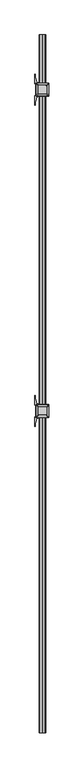
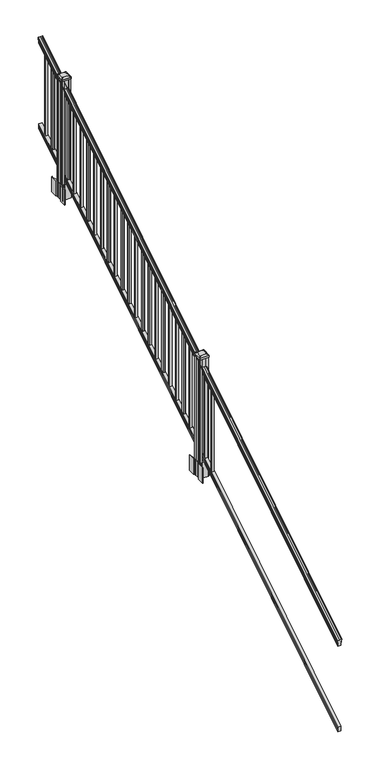
"""IFC4 building model written with IfcOpenShell, lengths in millimetres: railing geometry."""

from ifc_helpers import new_model, si_unit, point, frame, frame_2d, origin, place, context, project, spatial, polyline, circle_curve, ellipse_curve, trimmed, segment, composite_curve, outline, extrude, faceted_brep, source, transform, mapped, element, save
from ifc_brep_helpers import plane_surface, cylinder_surface, revolved_surface, extruded_surface, advanced_brep


def railing_a229b313(model_context):
    return source(origin(), model_context, "Body", "SolidModel", [
        advanced_brep(
        [(9890.1130321, -7669.8194681, 1133.2070492), (9890.1130321, -7669.8194681, 1135.4335658), (9891.2432184, -7669.8194681, 1137.2758543), (9891.2432184, -7669.8194681, 1145.7876358), (9890.593962, -7669.8194681, 1148.6572588), (9893.093962, -7669.8194681, 1153.7635509), (9894.5033045, -7669.8194681, 1155.7442021), (9894.9052035, -7669.8194681, 1157.0469579), (9894.9052034, -7669.8194681, 1158.6274846), (9893.3517561, -7669.8194681, 1160.4593836), (9872.6802034, -7669.8194681, 1160.4593836), (9852.0086506, -7669.8194681, 1160.4593836), (9850.4552034, -7669.8194681, 1158.6274846), (9850.4552034, -7669.8194681, 1157.0469579), (9850.8571023, -7669.8194681, 1155.7442021), (9852.2664447, -7669.8194681, 1153.7635509), (9854.7664447, -7669.8194681, 1148.6572588), (9854.1171883, -7669.8194681, 1145.7876358), (9854.1171883, -7669.8194681, 1137.2758543), (9855.2473746, -7669.8194681, 1135.4335658), (9855.2473746, -7669.8194681, 1133.2070492), (9857.8212034, -7669.8194681, 1133.2070492), (9857.8212034, -7669.8194681, 1120.825537), (9856.8052034, -7669.8194681, 1119.6274214), (9856.8052034, -7669.8194681, 1104.9), (9888.5552034, -7669.8194681, 1104.9), (9888.5552034, -7669.8194681, 1119.441318), (9887.5392034, -7669.8194681, 1120.6394336), (9887.5392034, -7669.8194681, 1133.2070492), (9890.1130321, -2793.0194681, 4181.2070492), (9887.5392034, -2793.0194681, 4181.2070492), (9887.5392034, -2793.0194681, 4168.6394336), (9888.5552034, -2793.0194681, 4167.441318), (9888.5552034, -2793.0194681, 4152.9), (9856.8052034, -2793.0194681, 4152.9), (9856.8052034, -2793.0194681, 4167.6274214), (9857.8212034, -2793.0194681, 4168.825537), (9857.8212034, -2793.0194681, 4181.2070492), (9855.2473746, -2793.0194681, 4181.2070492), (9855.2473746, -2793.0194681, 4183.4335658), (9854.1171883, -2793.0194681, 4185.2758543), (9854.1171883, -2793.0194681, 4193.7876358), (9854.7664447, -2793.0194681, 4196.6572588), (9852.2664447, -2793.0194681, 4201.7635509), (9850.8571023, -2793.0194681, 4203.7442021), (9850.4552033, -2793.0194681, 4205.0469579), (9850.4552034, -2793.0194681, 4206.6274846), (9852.0086506, -2793.0194681, 4208.4593836), (9872.6802034, -2793.0194681, 4208.4593836), (9893.3517561, -2793.0194681, 4208.4593836), (9894.9052034, -2793.0194681, 4206.6274846), (9894.9052034, -2793.0194681, 4205.0469579), (9894.5033045, -2793.0194681, 4203.7442021), (9893.093962, -2793.0194681, 4201.7635509), (9890.593962, -2793.0194681, 4196.6572588), (9891.2432184, -2793.0194681, 4193.7876358), (9891.2432184, -2793.0194681, 4185.2758543), (9890.1130321, -2793.0194681, 4183.4335658)],
        [
            (0, 1),
            (1, 2, ellipse_curve(frame((9883.7982788, -7669.8194681, 1142.2239405), z_axis=(0.0, -1.0, 0.0), x_axis=(0.0, 0.0, -1.0)), 10.0777926, 8.545951)),
            (2, 3, ellipse_curve(frame((9884.2353418, -7669.8194681, 1141.5317451), z_axis=(0.0, -1.0, 0.0), x_axis=(0.0, 0.0, -1.0)), 9.2955186, 7.882584)),
            (3, 4, ellipse_curve(frame((9894.7486659, -7669.8194681, 1148.4275077), z_axis=(0.0, 1.0, 0.0), x_axis=(0.0, 0.0, 1.0)), 4.9048088, 4.1592695)),
            (4, 5, ellipse_curve(frame((9896.0359725, -7669.8194681, 1148.3563208), z_axis=(0.0, 1.0, 0.0), x_axis=(0.0, 0.0, 1.0)), 6.4245301, 5.4479907)),
            (5, 6, ellipse_curve(frame((9894.802814, -7669.8194681, 1153.7602333), z_axis=(0.0, 1.0, 0.0), x_axis=(0.0, 0.0, 1.0)), 2.0151625, 1.7088543)),
            (6, 7, ellipse_curve(frame((9893.1859139, -7669.8194681, 1157.0469579), z_axis=(0.0, -1.0, 0.0), x_axis=(0.0, 0.0, -1.0)), 2.0274681, 1.7192895)),
            (7, 8),
            (8, 9, ellipse_curve(frame((9893.3517561, -7669.8194681, 1158.6274846), z_axis=(0.0, -1.0, 0.0), x_axis=(0.0, 0.0, -1.0)), 1.831899, 1.5534472)),
            (9, 10),
            (10, 11),
            (11, 12, ellipse_curve(frame((9852.0086506, -7669.8194681, 1158.6274846), z_axis=(0.0, -1.0, 0.0), x_axis=(0.0, 0.0, -1.0)), 1.831899, 1.5534472)),
            (12, 13),
            (13, 14, ellipse_curve(frame((9852.1744928, -7669.8194681, 1157.0469579), z_axis=(0.0, -1.0, 0.0), x_axis=(0.0, 0.0, -1.0)), 2.0274681, 1.7192895)),
            (14, 15, ellipse_curve(frame((9850.5575927, -7669.8194681, 1153.7602333), z_axis=(0.0, 1.0, 0.0), x_axis=(0.0, 0.0, 1.0)), 2.0151625, 1.7088543)),
            (15, 16, ellipse_curve(frame((9849.3244343, -7669.8194681, 1148.3563208), z_axis=(0.0, 1.0, 0.0), x_axis=(0.0, 0.0, 1.0)), 6.4245301, 5.4479907)),
            (16, 17, ellipse_curve(frame((9850.6117408, -7669.8194681, 1148.4275077), z_axis=(0.0, 1.0, 0.0), x_axis=(0.0, 0.0, 1.0)), 4.9048088, 4.1592695)),
            (17, 18, ellipse_curve(frame((9861.125065, -7669.8194681, 1141.5317451), z_axis=(0.0, -1.0, 0.0), x_axis=(0.0, 0.0, -1.0)), 9.2955186, 7.882584)),
            (18, 19, ellipse_curve(frame((9861.5621279, -7669.8194681, 1142.2239405), z_axis=(0.0, -1.0, 0.0), x_axis=(0.0, 0.0, -1.0)), 10.0777926, 8.545951)),
            (19, 20),
            (20, 21, ellipse_curve(frame((9856.534289, -7669.8194681, 1133.2070492), z_axis=(0.0, -1.0, 0.0), x_axis=(0.0, 0.0, -1.0)), 1.5175907, 1.2869144)),
            (21, 22),
            (22, 23),
            (23, 24),
            (24, 25),
            (25, 26),
            (26, 27),
            (27, 28),
            (28, 0, ellipse_curve(frame((9888.8261177, -7669.8194681, 1133.2070492), z_axis=(0.0, -1.0, 0.0), x_axis=(0.0, 0.0, -1.0)), 1.5175907, 1.2869144)),
            (29, 30, ellipse_curve(frame((9888.8261177, -2793.0194681, 4181.2070492), z_axis=(0.0, 1.0, 0.0), x_axis=(0.0, 0.0, -1.0)), 1.5175907, 1.2869144)),
            (30, 31),
            (31, 32),
            (32, 33),
            (33, 34),
            (34, 35),
            (35, 36),
            (36, 37),
            (37, 38, ellipse_curve(frame((9856.534289, -2793.0194681, 4181.2070492), z_axis=(0.0, 1.0, 0.0), x_axis=(0.0, 0.0, -1.0)), 1.5175907, 1.2869144)),
            (38, 39),
            (39, 40, ellipse_curve(frame((9861.5621279, -2793.0194681, 4190.2239405), z_axis=(0.0, 1.0, 0.0), x_axis=(0.0, 0.0, -1.0)), 10.0777926, 8.545951)),
            (40, 41, ellipse_curve(frame((9861.125065, -2793.0194681, 4189.5317451), z_axis=(0.0, 1.0, 0.0), x_axis=(0.0, 0.0, -1.0)), 9.2955186, 7.882584)),
            (41, 42, ellipse_curve(frame((9850.6117408, -2793.0194681, 4196.4275077), z_axis=(0.0, -1.0, 0.0), x_axis=(0.0, 0.0, 1.0)), 4.9048088, 4.1592695)),
            (42, 43, ellipse_curve(frame((9849.3244343, -2793.0194681, 4196.3563208), z_axis=(0.0, -1.0, 0.0), x_axis=(0.0, 0.0, 1.0)), 6.4245301, 5.4479907)),
            (43, 44, ellipse_curve(frame((9850.5575927, -2793.0194681, 4201.7602333), z_axis=(0.0, -1.0, 0.0), x_axis=(0.0, 0.0, 1.0)), 2.0151625, 1.7088543)),
            (44, 45, ellipse_curve(frame((9852.1744928, -2793.0194681, 4205.0469579), z_axis=(0.0, 1.0, 0.0), x_axis=(0.0, 0.0, -1.0)), 2.0274681, 1.7192895)),
            (45, 46),
            (46, 47, ellipse_curve(frame((9852.0086506, -2793.0194681, 4206.6274846), z_axis=(0.0, 1.0, 0.0), x_axis=(0.0, 0.0, -1.0)), 1.831899, 1.5534472)),
            (47, 48),
            (48, 49),
            (49, 50, ellipse_curve(frame((9893.3517561, -2793.0194681, 4206.6274846), z_axis=(0.0, 1.0, 0.0), x_axis=(0.0, 0.0, -1.0)), 1.831899, 1.5534472)),
            (50, 51),
            (51, 52, ellipse_curve(frame((9893.1859139, -2793.0194681, 4205.0469579), z_axis=(0.0, 1.0, 0.0), x_axis=(0.0, 0.0, -1.0)), 2.0274681, 1.7192895)),
            (52, 53, ellipse_curve(frame((9894.802814, -2793.0194681, 4201.7602333), z_axis=(0.0, -1.0, 0.0), x_axis=(0.0, 0.0, 1.0)), 2.0151625, 1.7088543)),
            (53, 54, ellipse_curve(frame((9896.0359725, -2793.0194681, 4196.3563208), z_axis=(0.0, -1.0, 0.0), x_axis=(0.0, 0.0, 1.0)), 6.4245301, 5.4479907)),
            (54, 55, ellipse_curve(frame((9894.7486659, -2793.0194681, 4196.4275077), z_axis=(0.0, -1.0, 0.0), x_axis=(0.0, 0.0, 1.0)), 4.9048088, 4.1592695)),
            (55, 56, ellipse_curve(frame((9884.2353418, -2793.0194681, 4189.5317451), z_axis=(0.0, 1.0, 0.0), x_axis=(0.0, 0.0, -1.0)), 9.2955186, 7.882584)),
            (56, 57, ellipse_curve(frame((9883.7982788, -2793.0194681, 4190.2239405), z_axis=(0.0, 1.0, 0.0), x_axis=(0.0, 0.0, -1.0)), 10.0777926, 8.545951)),
            (57, 29),
            (28, 30),
            (29, 0),
            (27, 31),
            (26, 32),
            (25, 33),
            (24, 34),
            (23, 35),
            (22, 36),
            (21, 37),
            (20, 38),
            (19, 39),
            (18, 40),
            (17, 41),
            (16, 42),
            (15, 43),
            (14, 44),
            (13, 45),
            (12, 46),
            (11, 47),
            (10, 48),
            (9, 49),
            (8, 50),
            (7, 51),
            (6, 52),
            (5, 53),
            (4, 54),
            (3, 55),
            (2, 56),
            (1, 57),
        ],
        [
            plane_surface(frame((9872.6802034, -7669.8194681, 1104.9), z_axis=(0.0, -1.0, 0.0), x_axis=(0.0, 0.0, 1.0))),
            plane_surface(frame((9872.6802034, -2793.0194681, 4152.9), z_axis=(0.0, 1.0, 0.0), x_axis=(0.0, 0.0, 1.0))),
            cylinder_surface(frame((9888.8261177, -7682.5417374, 1125.2556309), z_axis=(0.0, -0.8479983040051252, -0.5299989400031204), x_axis=(-1.0, 0.0, 0.0)), 1.2869144),
            plane_surface(frame((9887.5392034, -7669.8194681, 1120.6394336), z_axis=(1.0, 0.0, 0.0), x_axis=(0.0, 0.8479983040051252, 0.5299989400031204))),
            plane_surface(frame((9888.5552034, -7669.8194681, 1119.441318), z_axis=(0.7071067811865391, -0.3747658444978939, 0.5996253511967223), x_axis=(0.0, 0.8479983040051252, 0.5299989400031205))),
            plane_surface(frame((9888.5552034, -7669.8194681, 1104.9), z_axis=(1.0, 0.0, 0.0), x_axis=(0.0, 0.8479983040051252, 0.5299989400031204))),
            plane_surface(frame((9856.8052034, -7669.8194681, 1104.9), z_axis=(0.0, 0.5299989400031204, -0.8479983040051252), x_axis=(0.0, 0.8479983040051252, 0.5299989400031204))),
            plane_surface(frame((9856.8052034, -7669.8194681, 1119.6274214), z_axis=(-1.0, 0.0, 0.0), x_axis=(0.0, 0.8479983040051252, 0.5299989400031204))),
            plane_surface(frame((9857.8212034, -7669.8194681, 1120.825537), z_axis=(-0.7071067811865437, -0.37476584449789, 0.5996253511967192), x_axis=(0.0, 0.8479983040051252, 0.5299989400031204))),
            plane_surface(frame((9857.8212034, -7669.8194681, 1133.2070492), z_axis=(-1.0, 0.0, 0.0), x_axis=(0.0, 0.8479983040051252, 0.5299989400031204))),
            cylinder_surface(frame((9856.534289, -7682.5417374, 1125.2556309), z_axis=(0.0, -0.8479983040051252, -0.5299989400031204), x_axis=(1.0, 0.0, 0.0)), 1.2869144),
            plane_surface(frame((9855.2473746, -7669.8194681, 1135.4335658), z_axis=(-1.0, 0.0, 0.0), x_axis=(0.0, 0.8479983040051252, 0.5299989400031204))),
            cylinder_surface(frame((9861.5621279, -7686.5942728, 1131.7396876), z_axis=(0.0, -0.8479983040051252, -0.5299989400031204), x_axis=(1.0, 0.0, 0.0)), 8.545951),
            cylinder_surface(frame((9861.125065, -7686.2831737, 1131.241929), z_axis=(0.0, -0.8479983040051252, -0.5299989400031204), x_axis=(1.0, 0.0, 0.0)), 7.882584),
            revolved_surface(polyline([(9854.771010299999, -2790.8150596503474, 4197.805262980553), (9854.771010299999, -7672.023876549438, 1147.0497524190998)]), (9850.6117408, -7689.3823929, 1136.2006797), (0.0, 0.8479983040051252, 0.5299989400031204)),
            revolved_surface(polyline([(9854.772425000001, -2790.132038835741, 4198.160964077184), (9854.772425000001, -7672.7068973528085, 1146.5516775044932)]), (9849.3244343, -7689.3503988, 1136.1494891), (0.0, 0.8479983040051252, 0.5299989400031204)),
            revolved_surface(polyline([(9852.266447000002, -2792.113777099785, 4202.326290199656), (9852.266447000002, -7670.725159122471, 1153.1941764359535)]), (9850.5575927, -7691.7791235, 1140.0354487), (0.0, 0.8479983040051252, 0.5299989400031204)),
            cylinder_surface(frame((9852.1744928, -7693.2563031, 1142.398936), z_axis=(0.0, -0.8479983040051252, -0.5299989400031204), x_axis=(1.0, 0.0, 0.0)), 1.7192895),
            plane_surface(frame((9850.4552034, -7669.8194681, 1158.6274846), z_axis=(-1.0, 0.0, 0.0), x_axis=(0.0, 0.8479983040051252, 0.5299989400031204))),
            cylinder_surface(frame((9852.0086506, -7693.9666522, 1143.5354945), z_axis=(0.0, -0.8479983040051252, -0.5299989400031204), x_axis=(1.0, 0.0, 0.0)), 1.5534472),
            plane_surface(frame((9872.6802034, -7669.8194681, 1160.4593836), z_axis=(0.0, -0.5299989400031204, 0.8479983040051252), x_axis=(0.0, 0.8479983040051252, 0.5299989400031204))),
            plane_surface(frame((9893.3517561, -7669.8194681, 1160.4593836), z_axis=(0.0, -0.5299989400031204, 0.8479983040051252), x_axis=(0.0, 0.8479983040051252, 0.5299989400031204))),
            cylinder_surface(frame((9893.3517561, -7693.9666522, 1143.5354945), z_axis=(0.0, -0.8479983040051252, -0.5299989400031204), x_axis=(-1.0, 0.0, 0.0)), 1.5534472),
            plane_surface(frame((9894.9052034, -7669.8194681, 1157.0469579), z_axis=(1.0, 0.0, 0.0), x_axis=(0.0, 0.8479983040051252, 0.5299989400031204))),
            cylinder_surface(frame((9893.1859139, -7693.2563031, 1142.398936), z_axis=(0.0, -0.8479983040051252, -0.5299989400031204), x_axis=(-1.0, 0.0, 0.0)), 1.7192895),
            revolved_surface(polyline([(9893.0939597, -2792.113777099785, 4202.326290199656), (9893.0939597, -7670.725159122471, 1153.1941764359535)]), (9894.802814, -7691.7791235, 1140.0354487), (0.0, 0.8479983040051252, 0.5299989400031204)),
            revolved_surface(polyline([(9890.5879818, -2790.132038835741, 4198.160964077184), (9890.5879818, -7672.7068973528085, 1146.5516775044932)]), (9896.0359725, -7689.3503988, 1136.1494891), (0.0, 0.8479983040051252, 0.5299989400031204)),
            revolved_surface(polyline([(9890.5893964, -2790.8150596503474, 4197.805262980553), (9890.5893964, -7672.023876549438, 1147.0497524190998)]), (9894.7486659, -7689.3823929, 1136.2006797), (0.0, 0.8479983040051252, 0.5299989400031204)),
            cylinder_surface(frame((9884.2353418, -7686.2831737, 1131.241929), z_axis=(0.0, -0.8479983040051252, -0.5299989400031204), x_axis=(-1.0, 0.0, 0.0)), 7.882584),
            cylinder_surface(frame((9883.7982788, -7686.5942728, 1131.7396876), z_axis=(0.0, -0.8479983040051252, -0.5299989400031204), x_axis=(-1.0, 0.0, 0.0)), 8.545951),
            plane_surface(frame((9890.1130321, -7669.8194681, 1133.2070492), z_axis=(1.0, 0.0, 0.0), x_axis=(0.0, 0.8479983040051252, 0.5299989400031204))),
        ],
        [
            (0, [[1, 2, 3, 4, 5, 6, 7, 8, 9, 10, 11, 12, 13, 14, 15, 16, 17, 18, 19, 20, 21, 22, 23, 24, 25, 26, 27, 28, 29]]),
            (1, [[30, 31, 32, 33, 34, 35, 36, 37, 38, 39, 40, 41, 42, 43, 44, 45, 46, 47, 48, 49, 50, 51, 52, 53, 54, 55, 56, 57, 58]]),
            (2, [[-29, 59, -30, 60]]),
            (3, [[-28, 61, -31, -59]]),
            (4, [[-27, 62, -32, -61]]),
            (5, [[-26, 63, -33, -62]]),
            (6, [[-25, 64, -34, -63]]),
            (7, [[-24, 65, -35, -64]]),
            (8, [[-23, 66, -36, -65]]),
            (9, [[-22, 67, -37, -66]]),
            (10, [[-21, 68, -38, -67]]),
            (11, [[-20, 69, -39, -68]]),
            (12, [[-19, 70, -40, -69]]),
            (13, [[-18, 71, -41, -70]]),
            (14, [[-17, 72, -42, -71]]),
            (15, [[-16, 73, -43, -72]]),
            (16, [[-15, 74, -44, -73]]),
            (17, [[-14, 75, -45, -74]]),
            (18, [[-13, 76, -46, -75]]),
            (19, [[-12, 77, -47, -76]]),
            (20, [[-11, 78, -48, -77]]),
            (21, [[-10, 79, -49, -78]]),
            (22, [[-9, 80, -50, -79]]),
            (23, [[-8, 81, -51, -80]]),
            (24, [[-7, 82, -52, -81]]),
            (25, [[-6, 83, -53, -82]]),
            (26, [[-5, 84, -54, -83]]),
            (27, [[-4, 85, -55, -84]]),
            (28, [[-3, 86, -56, -85]]),
            (29, [[-2, 87, -57, -86]]),
            (30, [[-1, -60, -58, -87]]),
        ],
    ),
        faceted_brep([(9888.5926903, -7669.8194681, 268.8045079), (9887.5766903, -7669.8194681, 270.338026), (9887.5766903, -7669.8194681, 282.5545048), (9888.5926903, -7669.8194681, 284.1444579), (9888.5926903, -7669.8194681, 298.9244744), (9856.8426903, -7669.8194681, 298.9244744), (9856.8426903, -7669.8194681, 284.1248272), (9857.8586903, -7669.8194681, 282.5348741), (9857.8586903, -7669.8194681, 270.3748303), (9856.8426903, -7669.8194681, 268.7848772), (9856.8426903, -7669.8194681, 254.0), (9888.5926903, -7669.8194681, 254.0), (9888.5926903, -2793.0194681, 3316.8045079), (9888.5926903, -2793.0194681, 3302.0), (9856.8426903, -2793.0194681, 3302.0), (9856.8426903, -2793.0194681, 3316.7848772), (9857.8586903, -2793.0194681, 3318.3748303), (9857.8586903, -2793.0194681, 3330.5348741), (9856.8426903, -2793.0194681, 3332.1248272), (9856.8426903, -2793.0194681, 3346.9244744), (9888.5926903, -2793.0194681, 3346.9244744), (9888.5926903, -2793.0194681, 3332.1444579), (9887.5766903, -2793.0194681, 3330.5545048), (9887.5766903, -2793.0194681, 3318.338026)], [[[0, 1, 2, 3, 4, 5, 6, 7, 8, 9, 10, 11]], [[12, 13, 14, 15, 16, 17, 18, 19, 20, 21, 22, 23]], [[0, 11, 13, 12]], [[11, 10, 14, 13]], [[10, 9, 15, 14]], [[9, 8, 16, 15]], [[8, 7, 17, 16]], [[7, 6, 18, 17]], [[6, 5, 19, 18]], [[5, 4, 20, 19]], [[4, 3, 21, 20]], [[3, 2, 22, 21]], [[2, 1, 23, 22]], [[1, 0, 12, 23]]]),
        extrude(outline(polyline([(9882.2052034, -2895.2544681), (9863.1552034, -2895.2544681), (9863.1552034, -2876.2044681), (9882.2052034, -2876.2044681), (9882.2052034, -2895.2544681)]), holes=[polyline([(9881.8083284, -2894.8575931), (9881.8083284, -2876.6013431), (9863.5520784, -2876.6013431), (9863.5520784, -2894.8575931), (9881.8083284, -2894.8575931)])]), frame((0.0, 0.0, 3282.1521281), z_axis=(0.0, 0.0, 1.0), x_axis=(1.0, 0.0, 0.0)), (0.0, 0.0, 1.0), 812.8041219),
        extrude(outline(polyline([(9882.2052034, -3006.5064681), (9863.1552034, -3006.5064681), (9863.1552034, -2987.4564681), (9882.2052034, -2987.4564681), (9882.2052034, -3006.5064681)]), holes=[polyline([(9881.8083284, -3006.1095931), (9881.8083284, -2987.8533431), (9863.5520784, -2987.8533431), (9863.5520784, -3006.1095931), (9881.8083284, -3006.1095931)])]), frame((0.0, 0.0, 3212.6196281), z_axis=(0.0, 0.0, 1.0), x_axis=(1.0, 0.0, 0.0)), (0.0, 0.0, 1.0), 812.8041219),
        extrude(outline(polyline([(9882.2052034, -3117.7584681), (9863.1552034, -3117.7584681), (9863.1552034, -3098.7084681), (9882.2052034, -3098.7084681), (9882.2052034, -3117.7584681)]), holes=[polyline([(9881.8083284, -3117.3615931), (9881.8083284, -3099.1053431), (9863.5520784, -3099.1053431), (9863.5520784, -3117.3615931), (9881.8083284, -3117.3615931)])]), frame((0.0, 0.0, 3143.0871281), z_axis=(0.0, 0.0, 1.0), x_axis=(1.0, 0.0, 0.0)), (0.0, 0.0, 1.0), 812.8041219),
        extrude(outline(composite_curve([segment(polyline([(9915.4157034, -3192.421563), (9917.0032034, -3193.183563), (9917.0032034, -3215.985491), (9913.6302263, -3219.3584681), (9852.1705555, -3219.3584681), (9852.1705555, -3220.2792181), (9846.8530117, -3220.2792181), (9846.8530117, -3221.7334728), (9841.768482, -3221.7334728), (9841.768482, -3223.0174966), (9840.1012097, -3223.0174966)]), True, "CONTINUOUS"), segment(trimmed(circle_curve(frame_2d((9840.1012097, -3230.0769565)), 7.0594599), [point((9840.1012097, -3223.0174966))], [point((9833.3339468, -3228.0669498))], True, "CARTESIAN"), True, "CONTINUOUS"), segment(polyline([(9833.3339468, -3228.0669498), (9825.4597526, -3254.5776789)]), True, "CONTINUOUS"), segment(trimmed(circle_curve(frame_2d((9880.2442659, -3270.8497285)), 57.15), [point((9825.4597526, -3254.5776789))], [point((9823.0942659, -3270.8497285))], True, "CARTESIAN"), True, "CONTINUOUS"), segment(polyline([(9823.0942659, -3270.8497285), (9823.0942659, -3282.8584681), (9820.0942659, -3282.8584681), (9820.0942659, -3217.7709681), (9828.3572034, -3206.4326768), (9828.3572034, -3193.183563), (9829.9447034, -3192.421563), (9829.9447034, -3157.6493732), (9828.3572034, -3156.8873732), (9828.3572034, -3143.6382594), (9820.0942659, -3132.2999681), (9820.0942659, -3067.2124681), (9823.0942659, -3067.2124681), (9823.0942659, -3079.2212076)]), True, "CONTINUOUS"), segment(trimmed(circle_curve(frame_2d((9880.2442659, -3079.2212076)), 57.15), [point((9823.0942659, -3079.2212076))], [point((9825.4597526, -3095.4932573))], True, "CARTESIAN"), True, "CONTINUOUS"), segment(polyline([(9825.4597526, -3095.4932573), (9833.3339468, -3122.0039864)]), True, "CONTINUOUS"), segment(trimmed(circle_curve(frame_2d((9840.1012097, -3119.9939797)), 7.0594599), [point((9833.3339468, -3122.0039864))], [point((9840.1012097, -3127.0534396))], True, "CARTESIAN"), True, "CONTINUOUS"), segment(polyline([(9840.1012097, -3127.0534396), (9841.768482, -3127.0534396), (9841.768482, -3128.3374634), (9846.8530117, -3128.3374634), (9846.8530117, -3129.7917181), (9852.1705555, -3129.7917181), (9852.1705555, -3130.7124681), (9913.6302263, -3130.7124681), (9917.0032034, -3134.0854452), (9917.0032034, -3156.8873732), (9915.4157034, -3157.6493732), (9915.4157034, -3192.421563)]), True, "CONTINUOUS")], self_intersect=False), holes=[polyline([(9831.4052034, -3135.3479681), (9831.4052034, -3214.7229681), (9832.9927034, -3216.3104681), (9869.916986, -3216.3104681), (9912.3677034, -3216.3104681), (9913.9552034, -3214.7229681), (9913.9552034, -3135.3479681), (9912.3677034, -3133.7604681), (9869.916986, -3133.7604681), (9832.9927034, -3133.7604681), (9831.4052034, -3135.3479681)])]), frame((0.0, 0.0, 2847.34), z_axis=(0.0, 0.0, 1.0), x_axis=(1.0, 0.0, 0.0)), (0.0, 0.0, 1.0), 152.4),
        advanced_brep(
        [(9846.8833284, -3204.0073431, 4059.679263), (9898.4770784, -3204.0073431, 4059.679263), (9901.6520784, -3200.8323431, 4059.679263), (9901.6520784, -3149.2385931, 4059.679263), (9898.4770784, -3146.0635931, 4059.679263), (9846.8833284, -3146.0635931, 4059.679263), (9843.7083284, -3149.2385931, 4059.679263), (9843.7083284, -3200.8323431, 4059.679263), (9830.6114534, -3220.2792181, 4048.376263), (9827.4364534, -3217.1042181, 4048.376263), (9827.4364534, -3132.9667181, 4048.376263), (9830.6114534, -3129.7917181, 4048.376263), (9914.7489534, -3129.7917181, 4048.376263), (9917.9239534, -3132.9667181, 4048.376263), (9917.9239534, -3217.1042181, 4048.376263), (9914.7489534, -3220.2792181, 4048.376263)],
        [
            (0, 1),
            (1, 2, circle_curve(frame((9898.4770784, -3200.8323431, 4059.679263), z_axis=(0.0, 0.0, 1.0), x_axis=(0.0, 1.0, 0.0)), 3.175)),
            (2, 3),
            (3, 4, circle_curve(frame((9898.4770784, -3149.2385931, 4059.679263), z_axis=(0.0, 0.0, 1.0), x_axis=(0.0, 1.0, 0.0)), 3.175)),
            (4, 5),
            (5, 6, circle_curve(frame((9846.8833284, -3149.2385931, 4059.679263), z_axis=(0.0, 0.0, 1.0), x_axis=(0.0, 1.0, 0.0)), 3.175)),
            (6, 7),
            (7, 0, circle_curve(frame((9846.8833284, -3200.8323431, 4059.679263), z_axis=(0.0, 0.0, 1.0), x_axis=(0.0, 1.0, 0.0)), 3.175)),
            (8, 9, circle_curve(frame((9830.6114534, -3217.1042181, 4048.376263), z_axis=(0.0, 0.0, -1.0), x_axis=(0.0, 1.0, 0.0)), 3.175)),
            (9, 10),
            (10, 11, circle_curve(frame((9830.6114534, -3132.9667181, 4048.376263), z_axis=(0.0, 0.0, -1.0), x_axis=(0.0, 1.0, 0.0)), 3.175)),
            (11, 12),
            (12, 13, circle_curve(frame((9914.7489534, -3132.9667181, 4048.376263), z_axis=(0.0, 0.0, -1.0), x_axis=(0.0, 1.0, 0.0)), 3.175)),
            (13, 14),
            (14, 15, circle_curve(frame((9914.7489534, -3217.1042181, 4048.376263), z_axis=(0.0, 0.0, -1.0), x_axis=(0.0, 1.0, 0.0)), 3.175)),
            (15, 8),
            (8, 0),
            (7, 9),
            (6, 10),
            (5, 11),
            (4, 12),
            (3, 13),
            (2, 14),
            (1, 15),
        ],
        [
            plane_surface(frame((9872.6802034, -3175.0354681, 4059.679263), z_axis=(0.0, 0.0, 1.0), x_axis=(-1.0, 0.0, 0.0))),
            plane_surface(frame((9872.6802034, -3175.0354681, 4048.376263), z_axis=(0.0, 0.0, -1.0), x_axis=(-1.0, 0.0, 0.0))),
            extruded_surface(trimmed(circle_curve(frame((9846.8833284, -3200.8323431, 4059.679263), z_axis=(0.0, 0.0, -1.0), x_axis=(0.0, 1.0, 0.0)), 3.175), [point((9846.8833284, -3204.0073431, 4059.679263))], [point((9843.7083284, -3200.8323431, 4059.679263))], True, "CARTESIAN"), (-16.271874999998545, -16.27187499999991, -11.302999999999884), 25.63797263886513),
            plane_surface(frame((9827.4364534, -3175.0354681, 4048.376263), z_axis=(-0.5705009161540778, 0.0, 0.8212969649690408), x_axis=(0.0, 1.0, 0.0))),
            extruded_surface(trimmed(circle_curve(frame((9846.8833284, -3149.2385931, 4059.679263), z_axis=(0.0, 0.0, -1.0), x_axis=(0.0, 1.0, 0.0)), 3.175), [point((9843.7083284, -3149.2385931, 4059.679263))], [point((9846.8833284, -3146.0635931, 4059.679263))], True, "CARTESIAN"), (-16.271874999998545, 16.27187499999991, -11.302999999999884), 25.63797263886513),
            plane_surface(frame((9872.6802034, -3129.7917181, 4048.376263), z_axis=(0.0, 0.5705009161540291, 0.8212969649690747), x_axis=(1.0, 0.0, 0.0))),
            extruded_surface(trimmed(circle_curve(frame((9898.4770784, -3149.2385931, 4059.679263), z_axis=(0.0, 0.0, -1.0), x_axis=(0.0, 1.0, 0.0)), 3.175), [point((9898.4770784, -3146.0635931, 4059.679263))], [point((9901.6520784, -3149.2385931, 4059.679263))], True, "CARTESIAN"), (16.271875000000364, 16.27187499999991, -11.302999999999884), 25.637972638866284),
            plane_surface(frame((9917.9239534, -3175.0354681, 4048.376263), z_axis=(0.5705009161540142, 0.0, 0.8212969649690851), x_axis=(0.0, -1.0, 0.0))),
            extruded_surface(trimmed(circle_curve(frame((9898.4770784, -3200.8323431, 4059.679263), z_axis=(0.0, 0.0, -1.0), x_axis=(0.0, 1.0, 0.0)), 3.175), [point((9901.6520784, -3200.8323431, 4059.679263))], [point((9898.4770784, -3204.0073431, 4059.679263))], True, "CARTESIAN"), (16.271875000000364, -16.27187499999991, -11.302999999999884), 25.637972638866284),
            plane_surface(frame((9872.6802034, -3220.2792181, 4048.376263), z_axis=(0.0, -0.570500916154034, 0.8212969649690713), x_axis=(-1.0, 0.0, 0.0))),
        ],
        [
            (0, [[1, 2, 3, 4, 5, 6, 7, 8]]),
            (1, [[9, 10, 11, 12, 13, 14, 15, 16]]),
            (2, [[17, -8, 18, -9]]),
            (3, [[-18, -7, 19, -10]]),
            (4, [[-19, -6, 20, -11]]),
            (5, [[-20, -5, 21, -12]]),
            (6, [[-21, -4, 22, -13]]),
            (7, [[-22, -3, 23, -14]]),
            (8, [[-23, -2, 24, -15]]),
            (9, [[-24, -1, -17, -16]]),
        ],
    ),
        extrude(outline(composite_curve([segment(trimmed(circle_curve(frame_2d((9830.6114534, -3217.1042181)), 3.175), [point((9830.6114534, -3220.2792181))], [point((9827.4364534, -3217.1042181))], False, "CARTESIAN"), True, "CONTINUOUS"), segment(polyline([(9827.4364534, -3217.1042181), (9827.4364534, -3132.9667181)]), True, "CONTINUOUS"), segment(trimmed(circle_curve(frame_2d((9830.6114534, -3132.9667181)), 3.175), [point((9827.4364534, -3132.9667181))], [point((9830.6114534, -3129.7917181))], False, "CARTESIAN"), True, "CONTINUOUS"), segment(polyline([(9830.6114534, -3129.7917181), (9914.7489534, -3129.7917181)]), True, "CONTINUOUS"), segment(trimmed(circle_curve(frame_2d((9914.7489534, -3132.9667181)), 3.175), [point((9914.7489534, -3129.7917181))], [point((9917.9239534, -3132.9667181))], False, "CARTESIAN"), True, "CONTINUOUS"), segment(polyline([(9917.9239534, -3132.9667181), (9917.9239534, -3217.1042181)]), True, "CONTINUOUS"), segment(trimmed(circle_curve(frame_2d((9914.7489534, -3217.1042181)), 3.175), [point((9917.9239534, -3217.1042181))], [point((9914.7489534, -3220.2792181))], False, "CARTESIAN"), True, "CONTINUOUS"), segment(polyline([(9914.7489534, -3220.2792181), (9830.6114534, -3220.2792181)]), True, "CONTINUOUS")], self_intersect=False)), frame((0.0, 0.0, 4031.104263), z_axis=(0.0, 0.0, 1.0), x_axis=(1.0, 0.0, 0.0)), (0.0, 0.0, 1.0), 17.272),
        extrude(outline(polyline([(9832.9927034, -3216.3104681), (9831.4052034, -3214.7229681), (9831.4052034, -3195.1014681), (9832.9927034, -3194.3394681), (9832.9927034, -3155.7314681), (9831.4052034, -3154.9694681), (9831.4052034, -3135.3479681), (9832.9927034, -3133.7604681), (9852.6142034, -3133.7604681), (9853.3762034, -3135.3479681), (9891.9842034, -3135.3479681), (9892.7462034, -3133.7604681), (9912.3677034, -3133.7604681), (9913.9552034, -3135.3479681), (9913.9552034, -3154.9694681), (9912.3677034, -3155.7314681), (9912.3677034, -3194.3394681), (9913.9552034, -3195.1014681), (9913.9552034, -3214.7229681), (9912.3677034, -3216.3104681), (9892.7462034, -3216.3104681), (9891.9842034, -3214.7229681), (9853.3762034, -3214.7229681), (9852.6142034, -3216.3104681), (9832.9927034, -3216.3104681)])), frame((0.0, 0.0, 2999.74), z_axis=(0.0, 0.0, 1.0), x_axis=(1.0, 0.0, 0.0)), (0.0, 0.0, 1.0), 1031.364263),
        extrude(outline(polyline([(9882.2052034, -3251.3624681), (9863.1552034, -3251.3624681), (9863.1552034, -3232.3124681), (9882.2052034, -3232.3124681), (9882.2052034, -3251.3624681)]), holes=[polyline([(9881.8083284, -3250.9655931), (9881.8083284, -3232.7093431), (9863.5520784, -3232.7093431), (9863.5520784, -3250.9655931), (9881.8083284, -3250.9655931)])]), frame((0.0, 0.0, 3059.5846281), z_axis=(0.0, 0.0, 1.0), x_axis=(1.0, 0.0, 0.0)), (0.0, 0.0, 1.0), 812.8041219),
        extrude(outline(polyline([(9882.2052034, -3362.6144681), (9863.1552034, -3362.6144681), (9863.1552034, -3343.5644681), (9882.2052034, -3343.5644681), (9882.2052034, -3362.6144681)]), holes=[polyline([(9881.8083284, -3362.2175931), (9881.8083284, -3343.9613431), (9863.5520784, -3343.9613431), (9863.5520784, -3362.2175931), (9881.8083284, -3362.2175931)])]), frame((0.0, 0.0, 2990.0521281), z_axis=(0.0, 0.0, 1.0), x_axis=(1.0, 0.0, 0.0)), (0.0, 0.0, 1.0), 812.8041219),
        extrude(outline(polyline([(9882.2052034, -3473.8664681), (9863.1552034, -3473.8664681), (9863.1552034, -3454.8164681), (9882.2052034, -3454.8164681), (9882.2052034, -3473.8664681)]), holes=[polyline([(9881.8083284, -3473.4695931), (9881.8083284, -3455.2133431), (9863.5520784, -3455.2133431), (9863.5520784, -3473.4695931), (9881.8083284, -3473.4695931)])]), frame((0.0, 0.0, 2920.5196281), z_axis=(0.0, 0.0, 1.0), x_axis=(1.0, 0.0, 0.0)), (0.0, 0.0, 1.0), 812.8041219),
        extrude(outline(polyline([(9882.2052034, -3585.1184681), (9863.1552034, -3585.1184681), (9863.1552034, -3566.0684681), (9882.2052034, -3566.0684681), (9882.2052034, -3585.1184681)]), holes=[polyline([(9881.8083284, -3584.7215931), (9881.8083284, -3566.4653431), (9863.5520784, -3566.4653431), (9863.5520784, -3584.7215931), (9881.8083284, -3584.7215931)])]), frame((0.0, 0.0, 2850.9871281), z_axis=(0.0, 0.0, 1.0), x_axis=(1.0, 0.0, 0.0)), (0.0, 0.0, 1.0), 812.8041219),
        extrude(outline(polyline([(9882.2052034, -3696.3704681), (9863.1552034, -3696.3704681), (9863.1552034, -3677.3204681), (9882.2052034, -3677.3204681), (9882.2052034, -3696.3704681)]), holes=[polyline([(9881.8083284, -3695.9735931), (9881.8083284, -3677.7173431), (9863.5520784, -3677.7173431), (9863.5520784, -3695.9735931), (9881.8083284, -3695.9735931)])]), frame((0.0, 0.0, 2781.4546281), z_axis=(0.0, 0.0, 1.0), x_axis=(1.0, 0.0, 0.0)), (0.0, 0.0, 1.0), 812.8041219),
        extrude(outline(polyline([(9882.2052034, -3807.6224681), (9863.1552034, -3807.6224681), (9863.1552034, -3788.5724681), (9882.2052034, -3788.5724681), (9882.2052034, -3807.6224681)]), holes=[polyline([(9881.8083284, -3807.2255931), (9881.8083284, -3788.9693431), (9863.5520784, -3788.9693431), (9863.5520784, -3807.2255931), (9881.8083284, -3807.2255931)])]), frame((0.0, 0.0, 2711.9221281), z_axis=(0.0, 0.0, 1.0), x_axis=(1.0, 0.0, 0.0)), (0.0, 0.0, 1.0), 812.8041219),
        extrude(outline(polyline([(9882.2052034, -3918.8744681), (9863.1552034, -3918.8744681), (9863.1552034, -3899.8244681), (9882.2052034, -3899.8244681), (9882.2052034, -3918.8744681)]), holes=[polyline([(9881.8083284, -3918.4775931), (9881.8083284, -3900.2213431), (9863.5520784, -3900.2213431), (9863.5520784, -3918.4775931), (9881.8083284, -3918.4775931)])]), frame((0.0, 0.0, 2642.3896281), z_axis=(0.0, 0.0, 1.0), x_axis=(1.0, 0.0, 0.0)), (0.0, 0.0, 1.0), 812.8041219),
        extrude(outline(polyline([(9882.2052034, -4030.1264681), (9863.1552034, -4030.1264681), (9863.1552034, -4011.0764681), (9882.2052034, -4011.0764681), (9882.2052034, -4030.1264681)]), holes=[polyline([(9881.8083284, -4029.7295931), (9881.8083284, -4011.4733431), (9863.5520784, -4011.4733431), (9863.5520784, -4029.7295931), (9881.8083284, -4029.7295931)])]), frame((0.0, 0.0, 2572.8571281), z_axis=(0.0, 0.0, 1.0), x_axis=(1.0, 0.0, 0.0)), (0.0, 0.0, 1.0), 812.8041219),
        extrude(outline(polyline([(9882.2052034, -4141.3784681), (9863.1552034, -4141.3784681), (9863.1552034, -4122.3284681), (9882.2052034, -4122.3284681), (9882.2052034, -4141.3784681)]), holes=[polyline([(9881.8083284, -4140.9815931), (9881.8083284, -4122.7253431), (9863.5520784, -4122.7253431), (9863.5520784, -4140.9815931), (9881.8083284, -4140.9815931)])]), frame((0.0, 0.0, 2503.3246281), z_axis=(0.0, 0.0, 1.0), x_axis=(1.0, 0.0, 0.0)), (0.0, 0.0, 1.0), 812.8041219),
        extrude(outline(polyline([(9882.2052034, -4252.6304681), (9863.1552034, -4252.6304681), (9863.1552034, -4233.5804681), (9882.2052034, -4233.5804681), (9882.2052034, -4252.6304681)]), holes=[polyline([(9881.8083284, -4252.2335931), (9881.8083284, -4233.9773431), (9863.5520784, -4233.9773431), (9863.5520784, -4252.2335931), (9881.8083284, -4252.2335931)])]), frame((0.0, 0.0, 2433.7921281), z_axis=(0.0, 0.0, 1.0), x_axis=(1.0, 0.0, 0.0)), (0.0, 0.0, 1.0), 812.8041219),
        extrude(outline(polyline([(9882.2052034, -4363.8824681), (9863.1552034, -4363.8824681), (9863.1552034, -4344.8324681), (9882.2052034, -4344.8324681), (9882.2052034, -4363.8824681)]), holes=[polyline([(9881.8083284, -4363.4855931), (9881.8083284, -4345.2293431), (9863.5520784, -4345.2293431), (9863.5520784, -4363.4855931), (9881.8083284, -4363.4855931)])]), frame((0.0, 0.0, 2364.2596281), z_axis=(0.0, 0.0, 1.0), x_axis=(1.0, 0.0, 0.0)), (0.0, 0.0, 1.0), 812.8041219),
        extrude(outline(polyline([(9882.2052034, -4475.1344681), (9863.1552034, -4475.1344681), (9863.1552034, -4456.0844681), (9882.2052034, -4456.0844681), (9882.2052034, -4475.1344681)]), holes=[polyline([(9881.8083284, -4474.7375931), (9881.8083284, -4456.4813431), (9863.5520784, -4456.4813431), (9863.5520784, -4474.7375931), (9881.8083284, -4474.7375931)])]), frame((0.0, 0.0, 2294.7271281), z_axis=(0.0, 0.0, 1.0), x_axis=(1.0, 0.0, 0.0)), (0.0, 0.0, 1.0), 812.8041219),
        extrude(outline(polyline([(9882.2052034, -4586.3864681), (9863.1552034, -4586.3864681), (9863.1552034, -4567.3364681), (9882.2052034, -4567.3364681), (9882.2052034, -4586.3864681)]), holes=[polyline([(9881.8083284, -4585.9895931), (9881.8083284, -4567.7333431), (9863.5520784, -4567.7333431), (9863.5520784, -4585.9895931), (9881.8083284, -4585.9895931)])]), frame((0.0, 0.0, 2225.1946281), z_axis=(0.0, 0.0, 1.0), x_axis=(1.0, 0.0, 0.0)), (0.0, 0.0, 1.0), 812.8041219),
        extrude(outline(polyline([(9882.2052034, -4697.6384681), (9863.1552034, -4697.6384681), (9863.1552034, -4678.5884681), (9882.2052034, -4678.5884681), (9882.2052034, -4697.6384681)]), holes=[polyline([(9881.8083284, -4697.2415931), (9881.8083284, -4678.9853431), (9863.5520784, -4678.9853431), (9863.5520784, -4697.2415931), (9881.8083284, -4697.2415931)])]), frame((0.0, 0.0, 2155.6621281), z_axis=(0.0, 0.0, 1.0), x_axis=(1.0, 0.0, 0.0)), (0.0, 0.0, 1.0), 812.8041219),
        extrude(outline(polyline([(9882.2052034, -4808.8904681), (9863.1552034, -4808.8904681), (9863.1552034, -4789.8404681), (9882.2052034, -4789.8404681), (9882.2052034, -4808.8904681)]), holes=[polyline([(9881.8083284, -4808.4935931), (9881.8083284, -4790.2373431), (9863.5520784, -4790.2373431), (9863.5520784, -4808.4935931), (9881.8083284, -4808.4935931)])]), frame((0.0, 0.0, 2086.1296281), z_axis=(0.0, 0.0, 1.0), x_axis=(1.0, 0.0, 0.0)), (0.0, 0.0, 1.0), 812.8041219),
        extrude(outline(polyline([(9882.2052034, -4920.1424681), (9863.1552034, -4920.1424681), (9863.1552034, -4901.0924681), (9882.2052034, -4901.0924681), (9882.2052034, -4920.1424681)]), holes=[polyline([(9881.8083284, -4919.7455931), (9881.8083284, -4901.4893431), (9863.5520784, -4901.4893431), (9863.5520784, -4919.7455931), (9881.8083284, -4919.7455931)])]), frame((0.0, 0.0, 2016.5971281), z_axis=(0.0, 0.0, 1.0), x_axis=(1.0, 0.0, 0.0)), (0.0, 0.0, 1.0), 812.8041219),
        extrude(outline(polyline([(9882.2052034, -5031.3944681), (9863.1552034, -5031.3944681), (9863.1552034, -5012.3444681), (9882.2052034, -5012.3444681), (9882.2052034, -5031.3944681)]), holes=[polyline([(9881.8083284, -5030.9975931), (9881.8083284, -5012.7413431), (9863.5520784, -5012.7413431), (9863.5520784, -5030.9975931), (9881.8083284, -5030.9975931)])]), frame((0.0, 0.0, 1947.0646281), z_axis=(0.0, 0.0, 1.0), x_axis=(1.0, 0.0, 0.0)), (0.0, 0.0, 1.0), 812.8041219),
        extrude(outline(polyline([(9882.2052034, -5142.6464681), (9863.1552034, -5142.6464681), (9863.1552034, -5123.5964681), (9882.2052034, -5123.5964681), (9882.2052034, -5142.6464681)]), holes=[polyline([(9881.8083284, -5142.2495931), (9881.8083284, -5123.9933431), (9863.5520784, -5123.9933431), (9863.5520784, -5142.2495931), (9881.8083284, -5142.2495931)])]), frame((0.0, 0.0, 1877.5321281), z_axis=(0.0, 0.0, 1.0), x_axis=(1.0, 0.0, 0.0)), (0.0, 0.0, 1.0), 812.8041219),
        extrude(outline(polyline([(9882.2052034, -5253.8984681), (9863.1552034, -5253.8984681), (9863.1552034, -5234.8484681), (9882.2052034, -5234.8484681), (9882.2052034, -5253.8984681)]), holes=[polyline([(9881.8083284, -5253.5015931), (9881.8083284, -5235.2453431), (9863.5520784, -5235.2453431), (9863.5520784, -5253.5015931), (9881.8083284, -5253.5015931)])]), frame((0.0, 0.0, 1807.9996281), z_axis=(0.0, 0.0, 1.0), x_axis=(1.0, 0.0, 0.0)), (0.0, 0.0, 1.0), 812.8041219),
        extrude(outline(polyline([(9882.2052034, -5365.1504681), (9863.1552034, -5365.1504681), (9863.1552034, -5346.1004681), (9882.2052034, -5346.1004681), (9882.2052034, -5365.1504681)]), holes=[polyline([(9881.8083284, -5364.7535931), (9881.8083284, -5346.4973431), (9863.5520784, -5346.4973431), (9863.5520784, -5364.7535931), (9881.8083284, -5364.7535931)])]), frame((0.0, 0.0, 1738.4671281), z_axis=(0.0, 0.0, 1.0), x_axis=(1.0, 0.0, 0.0)), (0.0, 0.0, 1.0), 812.8041219),
        extrude(outline(composite_curve([segment(polyline([(9915.4157034, -5439.813563), (9917.0032034, -5440.575563), (9917.0032034, -5463.377491), (9913.6302263, -5466.7504681), (9852.1705555, -5466.7504681), (9852.1705555, -5467.6712181), (9846.8530117, -5467.6712181), (9846.8530117, -5469.1254728), (9841.768482, -5469.1254728), (9841.768482, -5470.4094966), (9840.1012097, -5470.4094966)]), True, "CONTINUOUS"), segment(trimmed(circle_curve(frame_2d((9840.1012097, -5477.4689565)), 7.0594599), [point((9840.1012097, -5470.4094966))], [point((9833.3339468, -5475.4589498))], True, "CARTESIAN"), True, "CONTINUOUS"), segment(polyline([(9833.3339468, -5475.4589498), (9825.4597526, -5501.9696789)]), True, "CONTINUOUS"), segment(trimmed(circle_curve(frame_2d((9880.2442659, -5518.2417285)), 57.15), [point((9825.4597526, -5501.9696789))], [point((9823.0942659, -5518.2417285))], True, "CARTESIAN"), True, "CONTINUOUS"), segment(polyline([(9823.0942659, -5518.2417285), (9823.0942659, -5530.2504681), (9820.0942659, -5530.2504681), (9820.0942659, -5465.1629681), (9828.3572034, -5453.8246768), (9828.3572034, -5440.575563), (9829.9447034, -5439.813563), (9829.9447034, -5405.0413732), (9828.3572034, -5404.2793732), (9828.3572034, -5391.0302594), (9820.0942659, -5379.6919681), (9820.0942659, -5314.6044681), (9823.0942659, -5314.6044681), (9823.0942659, -5326.6132076)]), True, "CONTINUOUS"), segment(trimmed(circle_curve(frame_2d((9880.2442659, -5326.6132076)), 57.15), [point((9823.0942659, -5326.6132076))], [point((9825.4597526, -5342.8852573))], True, "CARTESIAN"), True, "CONTINUOUS"), segment(polyline([(9825.4597526, -5342.8852573), (9833.3339468, -5369.3959864)]), True, "CONTINUOUS"), segment(trimmed(circle_curve(frame_2d((9840.1012097, -5367.3859797)), 7.0594599), [point((9833.3339468, -5369.3959864))], [point((9840.1012097, -5374.4454396))], True, "CARTESIAN"), True, "CONTINUOUS"), segment(polyline([(9840.1012097, -5374.4454396), (9841.768482, -5374.4454396), (9841.768482, -5375.7294634), (9846.8530117, -5375.7294634), (9846.8530117, -5377.1837181), (9852.1705555, -5377.1837181), (9852.1705555, -5378.1044681), (9913.6302263, -5378.1044681), (9917.0032034, -5381.4774452), (9917.0032034, -5404.2793732), (9915.4157034, -5405.0413732), (9915.4157034, -5439.813563)]), True, "CONTINUOUS")], self_intersect=False), holes=[polyline([(9831.4052034, -5382.7399681), (9831.4052034, -5462.1149681), (9832.9927034, -5463.7024681), (9869.916986, -5463.7024681), (9912.3677034, -5463.7024681), (9913.9552034, -5462.1149681), (9913.9552034, -5382.7399681), (9912.3677034, -5381.1524681), (9869.916986, -5381.1524681), (9832.9927034, -5381.1524681), (9831.4052034, -5382.7399681)])]), frame((0.0, 0.0, 1442.72), z_axis=(0.0, 0.0, 1.0), x_axis=(1.0, 0.0, 0.0)), (0.0, 0.0, 1.0), 152.4),
        advanced_brep(
        [(9846.8833284, -5451.3993431, 2655.059263), (9898.4770784, -5451.3993431, 2655.059263), (9901.6520784, -5448.2243431, 2655.059263), (9901.6520784, -5396.6305931, 2655.059263), (9898.4770784, -5393.4555931, 2655.059263), (9846.8833284, -5393.4555931, 2655.059263), (9843.7083284, -5396.6305931, 2655.059263), (9843.7083284, -5448.2243431, 2655.059263), (9830.6114534, -5467.6712181, 2643.756263), (9827.4364534, -5464.4962181, 2643.756263), (9827.4364534, -5380.3587181, 2643.756263), (9830.6114534, -5377.1837181, 2643.756263), (9914.7489534, -5377.1837181, 2643.756263), (9917.9239534, -5380.3587181, 2643.756263), (9917.9239534, -5464.4962181, 2643.756263), (9914.7489534, -5467.6712181, 2643.756263)],
        [
            (0, 1),
            (1, 2, circle_curve(frame((9898.4770784, -5448.2243431, 2655.059263), z_axis=(0.0, 0.0, 1.0), x_axis=(0.0, 1.0, 0.0)), 3.175)),
            (2, 3),
            (3, 4, circle_curve(frame((9898.4770784, -5396.6305931, 2655.059263), z_axis=(0.0, 0.0, 1.0), x_axis=(0.0, 1.0, 0.0)), 3.175)),
            (4, 5),
            (5, 6, circle_curve(frame((9846.8833284, -5396.6305931, 2655.059263), z_axis=(0.0, 0.0, 1.0), x_axis=(0.0, 1.0, 0.0)), 3.175)),
            (6, 7),
            (7, 0, circle_curve(frame((9846.8833284, -5448.2243431, 2655.059263), z_axis=(0.0, 0.0, 1.0), x_axis=(0.0, 1.0, 0.0)), 3.175)),
            (8, 9, circle_curve(frame((9830.6114534, -5464.4962181, 2643.756263), z_axis=(0.0, 0.0, -1.0), x_axis=(0.0, 1.0, 0.0)), 3.175)),
            (9, 10),
            (10, 11, circle_curve(frame((9830.6114534, -5380.3587181, 2643.756263), z_axis=(0.0, 0.0, -1.0), x_axis=(0.0, 1.0, 0.0)), 3.175)),
            (11, 12),
            (12, 13, circle_curve(frame((9914.7489534, -5380.3587181, 2643.756263), z_axis=(0.0, 0.0, -1.0), x_axis=(0.0, 1.0, 0.0)), 3.175)),
            (13, 14),
            (14, 15, circle_curve(frame((9914.7489534, -5464.4962181, 2643.756263), z_axis=(0.0, 0.0, -1.0), x_axis=(0.0, 1.0, 0.0)), 3.175)),
            (15, 8),
            (8, 0),
            (7, 9),
            (6, 10),
            (5, 11),
            (4, 12),
            (3, 13),
            (2, 14),
            (1, 15),
        ],
        [
            plane_surface(frame((9872.6802034, -5422.4274681, 2655.059263), z_axis=(0.0, 0.0, 1.0), x_axis=(-1.0, 0.0, 0.0))),
            plane_surface(frame((9872.6802034, -5422.4274681, 2643.756263), z_axis=(0.0, 0.0, -1.0), x_axis=(-1.0, 0.0, 0.0))),
            extruded_surface(trimmed(circle_curve(frame((9846.8833284, -5448.2243431, 2655.059263), z_axis=(0.0, 0.0, -1.0), x_axis=(0.0, 1.0, 0.0)), 3.175), [point((9846.8833284, -5451.3993431, 2655.059263))], [point((9843.7083284, -5448.2243431, 2655.059263))], True, "CARTESIAN"), (-16.271874999998545, -16.271875000000364, -11.302999999999884), 25.63797263886542),
            plane_surface(frame((9827.4364534, -5422.4274681, 2643.756263), z_axis=(-0.5705009161540778, 0.0, 0.8212969649690408), x_axis=(0.0, 1.0, 0.0))),
            extruded_surface(trimmed(circle_curve(frame((9846.8833284, -5396.6305931, 2655.059263), z_axis=(0.0, 0.0, -1.0), x_axis=(0.0, 1.0, 0.0)), 3.175), [point((9843.7083284, -5396.6305931, 2655.059263))], [point((9846.8833284, -5393.4555931, 2655.059263))], True, "CARTESIAN"), (-16.271874999998545, 16.271874999999454, -11.302999999999884), 25.63797263886484),
            plane_surface(frame((9872.6802034, -5377.1837181, 2643.756263), z_axis=(0.0, 0.5705009161540291, 0.8212969649690747), x_axis=(1.0, 0.0, 0.0))),
            extruded_surface(trimmed(circle_curve(frame((9898.4770784, -5396.6305931, 2655.059263), z_axis=(0.0, 0.0, -1.0), x_axis=(0.0, 1.0, 0.0)), 3.175), [point((9898.4770784, -5393.4555931, 2655.059263))], [point((9901.6520784, -5396.6305931, 2655.059263))], True, "CARTESIAN"), (16.271875000000364, 16.271874999999454, -11.302999999999884), 25.637972638865996),
            plane_surface(frame((9917.9239534, -5422.4274681, 2643.756263), z_axis=(0.5705009161540142, 0.0, 0.8212969649690851), x_axis=(0.0, -1.0, 0.0))),
            extruded_surface(trimmed(circle_curve(frame((9898.4770784, -5448.2243431, 2655.059263), z_axis=(0.0, 0.0, -1.0), x_axis=(0.0, 1.0, 0.0)), 3.175), [point((9901.6520784, -5448.2243431, 2655.059263))], [point((9898.4770784, -5451.3993431, 2655.059263))], True, "CARTESIAN"), (16.271875000000364, -16.271875000000364, -11.302999999999884), 25.63797263886657),
            plane_surface(frame((9872.6802034, -5467.6712181, 2643.756263), z_axis=(0.0, -0.570500916154034, 0.8212969649690713), x_axis=(-1.0, 0.0, 0.0))),
        ],
        [
            (0, [[1, 2, 3, 4, 5, 6, 7, 8]]),
            (1, [[9, 10, 11, 12, 13, 14, 15, 16]]),
            (2, [[17, -8, 18, -9]]),
            (3, [[-18, -7, 19, -10]]),
            (4, [[-19, -6, 20, -11]]),
            (5, [[-20, -5, 21, -12]]),
            (6, [[-21, -4, 22, -13]]),
            (7, [[-22, -3, 23, -14]]),
            (8, [[-23, -2, 24, -15]]),
            (9, [[-24, -1, -17, -16]]),
        ],
    ),
        extrude(outline(composite_curve([segment(trimmed(circle_curve(frame_2d((9830.6114534, -5464.4962181)), 3.175), [point((9830.6114534, -5467.6712181))], [point((9827.4364534, -5464.4962181))], False, "CARTESIAN"), True, "CONTINUOUS"), segment(polyline([(9827.4364534, -5464.4962181), (9827.4364534, -5380.3587181)]), True, "CONTINUOUS"), segment(trimmed(circle_curve(frame_2d((9830.6114534, -5380.3587181)), 3.175), [point((9827.4364534, -5380.3587181))], [point((9830.6114534, -5377.1837181))], False, "CARTESIAN"), True, "CONTINUOUS"), segment(polyline([(9830.6114534, -5377.1837181), (9914.7489534, -5377.1837181)]), True, "CONTINUOUS"), segment(trimmed(circle_curve(frame_2d((9914.7489534, -5380.3587181)), 3.175), [point((9914.7489534, -5377.1837181))], [point((9917.9239534, -5380.3587181))], False, "CARTESIAN"), True, "CONTINUOUS"), segment(polyline([(9917.9239534, -5380.3587181), (9917.9239534, -5464.4962181)]), True, "CONTINUOUS"), segment(trimmed(circle_curve(frame_2d((9914.7489534, -5464.4962181)), 3.175), [point((9917.9239534, -5464.4962181))], [point((9914.7489534, -5467.6712181))], False, "CARTESIAN"), True, "CONTINUOUS"), segment(polyline([(9914.7489534, -5467.6712181), (9830.6114534, -5467.6712181)]), True, "CONTINUOUS")], self_intersect=False)), frame((0.0, 0.0, 2626.484263), z_axis=(0.0, 0.0, 1.0), x_axis=(1.0, 0.0, 0.0)), (0.0, 0.0, 1.0), 17.272),
        extrude(outline(polyline([(9832.9927034, -5463.7024681), (9831.4052034, -5462.1149681), (9831.4052034, -5442.4934681), (9832.9927034, -5441.7314681), (9832.9927034, -5403.1234681), (9831.4052034, -5402.3614681), (9831.4052034, -5382.7399681), (9832.9927034, -5381.1524681), (9852.6142034, -5381.1524681), (9853.3762034, -5382.7399681), (9891.9842034, -5382.7399681), (9892.7462034, -5381.1524681), (9912.3677034, -5381.1524681), (9913.9552034, -5382.7399681), (9913.9552034, -5402.3614681), (9912.3677034, -5403.1234681), (9912.3677034, -5441.7314681), (9913.9552034, -5442.4934681), (9913.9552034, -5462.1149681), (9912.3677034, -5463.7024681), (9892.7462034, -5463.7024681), (9891.9842034, -5462.1149681), (9853.3762034, -5462.1149681), (9852.6142034, -5463.7024681), (9832.9927034, -5463.7024681)])), frame((0.0, 0.0, 1595.12), z_axis=(0.0, 0.0, 1.0), x_axis=(1.0, 0.0, 0.0)), (0.0, 0.0, 1.0), 1031.364263),
        extrude(outline(polyline([(9882.2052034, -5498.7544681), (9863.1552034, -5498.7544681), (9863.1552034, -5479.7044681), (9882.2052034, -5479.7044681), (9882.2052034, -5498.7544681)]), holes=[polyline([(9881.8083284, -5498.3575931), (9881.8083284, -5480.1013431), (9863.5520784, -5480.1013431), (9863.5520784, -5498.3575931), (9881.8083284, -5498.3575931)])]), frame((0.0, 0.0, 1654.9646281), z_axis=(0.0, 0.0, 1.0), x_axis=(1.0, 0.0, 0.0)), (0.0, 0.0, 1.0), 812.8041219),
        extrude(outline(polyline([(9882.2052034, -5610.0064681), (9863.1552034, -5610.0064681), (9863.1552034, -5590.9564681), (9882.2052034, -5590.9564681), (9882.2052034, -5610.0064681)]), holes=[polyline([(9881.8083284, -5609.6095931), (9881.8083284, -5591.3533431), (9863.5520784, -5591.3533431), (9863.5520784, -5609.6095931), (9881.8083284, -5609.6095931)])]), frame((0.0, 0.0, 1585.4321281), z_axis=(0.0, 0.0, 1.0), x_axis=(1.0, 0.0, 0.0)), (0.0, 0.0, 1.0), 812.8041219),
    ])


if __name__ == "__main__":
    model = new_model("IFC4")
    model_context = context("Model", 3, world=origin())
    ifc_project = project(units=[si_unit("LENGTHUNIT", "METRE", prefix="MILLI")], contexts=[model_context])
    site = spatial("IfcSite", under=ifc_project)
    building = spatial("IfcBuilding", under=site)
    placement = place(None, origin())
    railing_shape = railing_a229b313(model_context)
    element("IfcRailing", 1, at=placement, inside=building, context=model_context, shape_type="MappedRepresentation", body=[
        mapped(railing_shape, transform((0.0, 0.0, 0.0), x_axis=(1.0, 0.0, 0.0), y_axis=(0.0, 1.0, 0.0), z_axis=(0.0, 0.0, 1.0))),
    ])
    save(model, "model.ifc")
